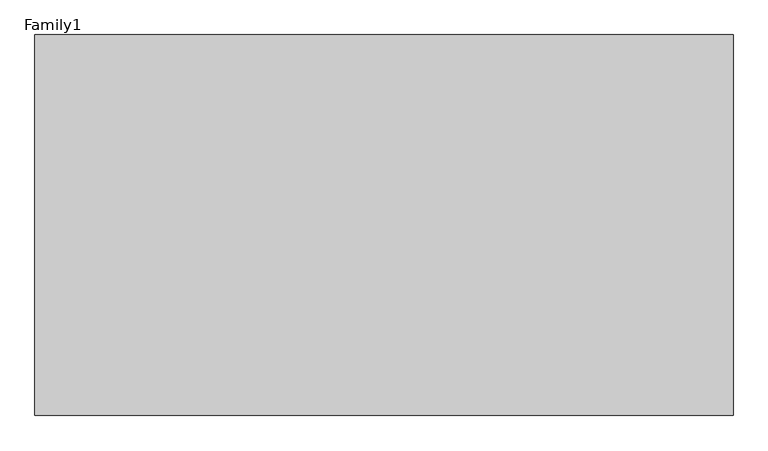
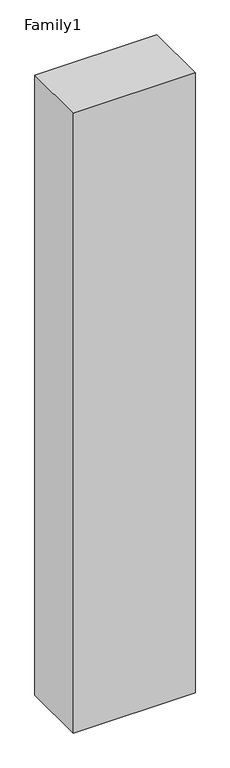
"""IFC4 building model written with IfcOpenShell, lengths in millimetres: proxy geometry, Family1."""

from ifc_helpers import new_model, si_unit, origin, origin_with_axes, place, context, project, spatial, polyline, outline, extrude, source, transform, mapped, element, save


def family1_c474a481(model_context):
    return source(origin(), model_context, "Body", "SweptSolid", [
        extrude(outline(polyline([(5500.0, 0.0), (0.0, 0.0), (0.0, 3000.0), (5500.0, 3000.0), (5500.0, 0.0)])), origin_with_axes(), (0.0, 0.0, 1.0), 29600.0),
    ])


if __name__ == "__main__":
    model = new_model("IFC4")
    model_context = context("Model", 3, world=origin())
    ifc_project = project(units=[si_unit("LENGTHUNIT", "METRE", prefix="MILLI")], contexts=[model_context])
    site = spatial("IfcSite", under=ifc_project)
    building = spatial("IfcBuilding", under=site)
    placement = place(None, origin())
    family1_shape = family1_c474a481(model_context)
    element("IfcBuildingElementProxy", 1, Name="Family1", ObjectType="Family1", at=placement, inside=building, context=model_context, shape_type="MappedRepresentation", body=[
        mapped(family1_shape, transform((0.0, 0.0, 0.0), x_axis=(1.0, 0.0, 0.0), y_axis=(0.0, 1.0, 0.0), z_axis=(0.0, 0.0, 1.0))),
    ])
    save(model, "model.ifc")
